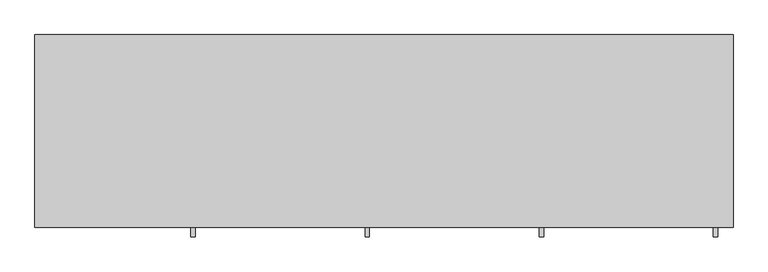
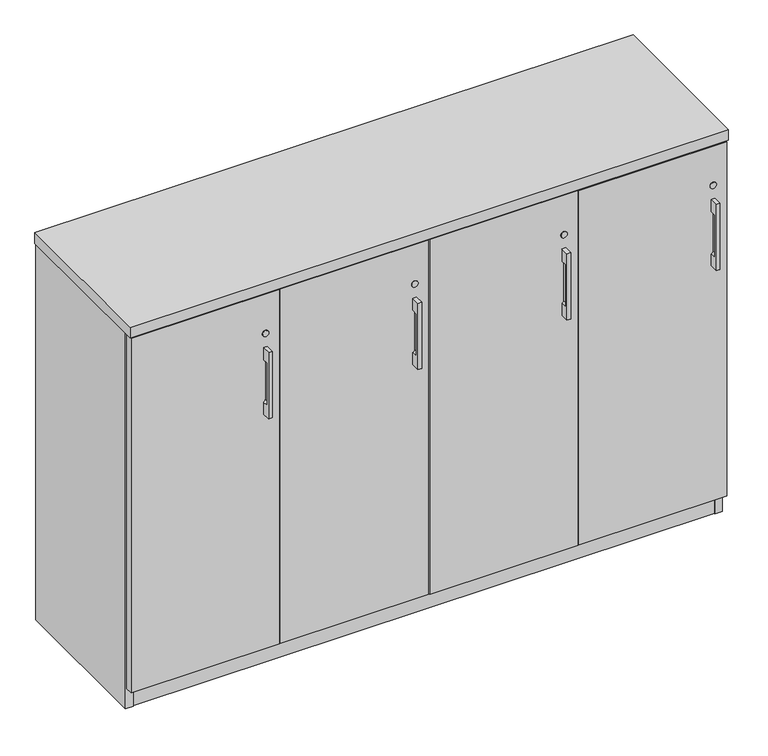
"""IFC4 building model written with IfcOpenShell, lengths in millimetres: furniture geometry."""

from ifc_helpers import new_model, si_unit, point, frame, frame_2d, origin, origin_with_axes, place, context, project, spatial, polyline, circle_curve, trimmed, segment, composite_curve, outline, extrude, source, transform, mapped, element, save
from ifc_brep_helpers import plane_surface, revolved_surface, advanced_brep


def furniture_3aef7c63(model_context):
    return source(origin(), model_context, "Body", "SolidModel", [
        advanced_brep(
        [(338.9312421, -447.8115021, 869.3658), (338.9312421, -447.8115021, 691.5658), (348.4562421, -447.8115021, 691.5658), (348.4562421, -447.8115021, 869.3658), (338.9312421, -425.5865021, 869.3658), (348.4562421, -425.5865021, 869.3658), (348.4562421, -425.5865021, 691.5658), (338.9312421, -425.5865021, 691.5658), (338.9312421, -425.5865021, 723.5174389), (343.6937421, -425.5865021, 729.6658), (343.6937421, -425.5865021, 831.2658), (338.9312421, -425.5865021, 837.4141611), (338.9312421, -441.523499, 837.4141611), (338.9312421, -441.523499, 723.5174389), (343.6937421, -441.523499, 831.2658), (343.6937421, -441.523499, 729.6658)],
        [
            (0, 1),
            (1, 2),
            (2, 3),
            (3, 0),
            (4, 5),
            (5, 6),
            (6, 7),
            (7, 8),
            (8, 9, circle_curve(frame((337.3437421, -425.5865021, 729.6658), z_axis=(0.0, -1.0, 0.0), x_axis=(1.0, 0.0, 0.0)), 6.35)),
            (9, 10),
            (10, 11, circle_curve(frame((337.3437421, -425.5865021, 831.2658), z_axis=(0.0, -1.0, 0.0), x_axis=(1.0, 0.0, 0.0)), 6.35)),
            (11, 4),
            (0, 4),
            (11, 12),
            (12, 13),
            (13, 8),
            (7, 1),
            (6, 2),
            (5, 3),
            (14, 15),
            (15, 13, circle_curve(frame((337.3437421, -441.523499, 729.6658), z_axis=(0.0, 1.0, 0.0), x_axis=(1.0, 0.0, 0.0)), 6.35)),
            (12, 14, circle_curve(frame((337.3437421, -441.523499, 831.2658), z_axis=(0.0, 1.0, 0.0), x_axis=(1.0, 0.0, 0.0)), 6.35)),
            (14, 10),
            (9, 15),
        ],
        [
            plane_surface(frame((338.9312421, -447.8115021, 691.5658), z_axis=(0.0, -1.0, 0.0), x_axis=(0.0, 0.0, -1.0))),
            plane_surface(frame((338.9312421, -425.5865021, 691.5658), z_axis=(0.0, 1.0, 0.0), x_axis=(0.0, 0.0, 1.0))),
            plane_surface(frame((338.9312421, -447.8115021, 869.3658), z_axis=(-1.0, 0.0, 0.0), x_axis=(0.0, 1.0, 0.0))),
            plane_surface(frame((338.9312421, -447.8115021, 691.5658), z_axis=(0.0, 0.0, -1.0), x_axis=(0.0, 1.0, 0.0))),
            plane_surface(frame((348.4562421, -447.8115021, 691.5658), z_axis=(1.0, 0.0, 0.0), x_axis=(0.0, 1.0, 0.0))),
            plane_surface(frame((348.4562421, -447.8115021, 869.3658), z_axis=(0.0, 0.0, 1.0), x_axis=(0.0, 1.0, 0.0))),
            plane_surface(frame((324.6437421, -441.523499, 837.6158), z_axis=(0.0, 1.0, 0.0), x_axis=(-1.0, 0.0, 0.0))),
            plane_surface(frame((343.6937421, -441.523499, 729.6658), z_axis=(-1.0, 0.0, 0.0), x_axis=(0.0, 1.0, 0.0))),
            revolved_surface(polyline([(343.6937421, -441.523499, 729.6658), (343.6937421, -425.5865021, 729.6658)]), (337.3437421, -425.5865021, 729.6658), (0.0, -1.0, 0.0)),
            revolved_surface(polyline([(343.6937421, -441.523499, 831.2658), (343.6937421, -425.5865021, 831.2658)]), (337.3437421, -425.5865021, 831.2658), (0.0, -1.0, 0.0)),
        ],
        [
            (0, [[1, 2, 3, 4]]),
            (1, [[5, 6, 7, 8, 9, 10, 11, 12]]),
            (2, [[-1, 13, -12, 14, 15, 16, -8, 17]]),
            (3, [[-2, -17, -7, 18]]),
            (4, [[-3, -18, -6, 19]]),
            (5, [[-4, -19, -5, -13]]),
            (6, [[20, 21, -15, 22]]),
            (7, [[-20, 23, -10, 24]]),
            (8, [[-24, -9, -16, -21]]),
            (9, [[-23, -22, -14, -11]]),
        ],
    ),
        advanced_brep(
        [(1474.7875158, -447.8115021, 869.3658), (1474.7875158, -447.8115021, 691.5658), (1484.3125158, -447.8115021, 691.5658), (1484.3125158, -447.8115021, 869.3658), (1474.7875158, -425.5865021, 869.3658), (1484.3125158, -425.5865021, 869.3658), (1484.3125158, -425.5865021, 691.5658), (1474.7875158, -425.5865021, 691.5658), (1474.7875158, -425.5865021, 723.5174389), (1479.5500158, -425.5865021, 729.6658), (1479.5500158, -425.5865021, 831.2658), (1474.7875158, -425.5865021, 837.4141611), (1474.7875158, -441.523499, 837.4141611), (1474.7875158, -441.523499, 723.5174389), (1479.5500158, -441.523499, 831.2658), (1479.5500158, -441.523499, 729.6658)],
        [
            (0, 1),
            (1, 2),
            (2, 3),
            (3, 0),
            (4, 5),
            (5, 6),
            (6, 7),
            (7, 8),
            (8, 9, circle_curve(frame((1473.2000158, -425.5865021, 729.6658), z_axis=(0.0, -1.0, 0.0), x_axis=(1.0, 0.0, 0.0)), 6.35)),
            (9, 10),
            (10, 11, circle_curve(frame((1473.2000158, -425.5865021, 831.2658), z_axis=(0.0, -1.0, 0.0), x_axis=(1.0, 0.0, 0.0)), 6.35)),
            (11, 4),
            (0, 4),
            (11, 12),
            (12, 13),
            (13, 8),
            (7, 1),
            (6, 2),
            (5, 3),
            (14, 15),
            (15, 13, circle_curve(frame((1473.2000158, -441.523499, 729.6658), z_axis=(0.0, 1.0, 0.0), x_axis=(1.0, 0.0, 0.0)), 6.35)),
            (12, 14, circle_curve(frame((1473.2000158, -441.523499, 831.2658), z_axis=(0.0, 1.0, 0.0), x_axis=(1.0, 0.0, 0.0)), 6.35)),
            (14, 10),
            (9, 15),
        ],
        [
            plane_surface(frame((1474.7875158, -447.8115021, 691.5658), z_axis=(0.0, -1.0, 0.0), x_axis=(0.0, 0.0, -1.0))),
            plane_surface(frame((1474.7875158, -425.5865021, 691.5658), z_axis=(0.0, 1.0, 0.0), x_axis=(0.0, 0.0, 1.0))),
            plane_surface(frame((1474.7875158, -447.8115021, 869.3658), z_axis=(-1.0, 0.0, 0.0), x_axis=(0.0, 1.0, 0.0))),
            plane_surface(frame((1474.7875158, -447.8115021, 691.5658), z_axis=(0.0, 0.0, -1.0), x_axis=(0.0, 1.0, 0.0))),
            plane_surface(frame((1484.3125158, -447.8115021, 691.5658), z_axis=(1.0, 0.0, 0.0), x_axis=(0.0, 1.0, 0.0))),
            plane_surface(frame((1484.3125158, -447.8115021, 869.3658), z_axis=(0.0, 0.0, 1.0), x_axis=(0.0, 1.0, 0.0))),
            plane_surface(frame((1460.5000158, -441.523499, 837.6158), z_axis=(0.0, 1.0, 0.0), x_axis=(-1.0, 0.0, 0.0))),
            plane_surface(frame((1479.5500158, -441.523499, 729.6658), z_axis=(-1.0, 0.0, 0.0), x_axis=(0.0, 1.0, 0.0))),
            revolved_surface(polyline([(1479.5500158, -441.523499, 729.6658), (1479.5500158, -425.5865021, 729.6658)]), (1473.2000158, -425.5865021, 729.6658), (0.0, -1.0, 0.0)),
            revolved_surface(polyline([(1479.5500158, -441.523499, 831.2658), (1479.5500158, -425.5865021, 831.2658)]), (1473.2000158, -425.5865021, 831.2658), (0.0, -1.0, 0.0)),
        ],
        [
            (0, [[1, 2, 3, 4]]),
            (1, [[5, 6, 7, 8, 9, 10, 11, 12]]),
            (2, [[-1, 13, -12, 14, 15, 16, -8, 17]]),
            (3, [[-2, -17, -7, 18]]),
            (4, [[-3, -18, -6, 19]]),
            (5, [[-4, -19, -5, -13]]),
            (6, [[20, 21, -15, 22]]),
            (7, [[-20, 23, -10, 24]]),
            (8, [[-24, -9, -16, -21]]),
            (9, [[-23, -22, -14, -11]]),
        ],
    ),
        advanced_brep(
        [(1096.1687579, -447.8115021, 869.3658), (1096.1687579, -447.8115021, 691.5658), (1105.6937579, -447.8115021, 691.5658), (1105.6937579, -447.8115021, 869.3658), (1096.1687579, -425.5865021, 869.3658), (1105.6937579, -425.5865021, 869.3658), (1105.6937579, -425.5865021, 691.5658), (1096.1687579, -425.5865021, 691.5658), (1096.1687579, -425.5865021, 723.5174389), (1100.9312579, -425.5865021, 729.6658), (1100.9312579, -425.5865021, 831.2658), (1096.1687579, -425.5865021, 837.4141611), (1096.1687579, -441.523499, 837.4141611), (1096.1687579, -441.523499, 723.5174389), (1100.9312579, -441.523499, 831.2658), (1100.9312579, -441.523499, 729.6658)],
        [
            (0, 1),
            (1, 2),
            (2, 3),
            (3, 0),
            (4, 5),
            (5, 6),
            (6, 7),
            (7, 8),
            (8, 9, circle_curve(frame((1094.5812579, -425.5865021, 729.6658), z_axis=(0.0, -1.0, 0.0), x_axis=(1.0, 0.0, 0.0)), 6.35)),
            (9, 10),
            (10, 11, circle_curve(frame((1094.5812579, -425.5865021, 831.2658), z_axis=(0.0, -1.0, 0.0), x_axis=(1.0, 0.0, 0.0)), 6.35)),
            (11, 4),
            (0, 4),
            (11, 12),
            (12, 13),
            (13, 8),
            (7, 1),
            (6, 2),
            (5, 3),
            (14, 15),
            (15, 13, circle_curve(frame((1094.5812579, -441.523499, 729.6658), z_axis=(0.0, 1.0, 0.0), x_axis=(1.0, 0.0, 0.0)), 6.35)),
            (12, 14, circle_curve(frame((1094.5812579, -441.523499, 831.2658), z_axis=(0.0, 1.0, 0.0), x_axis=(1.0, 0.0, 0.0)), 6.35)),
            (14, 10),
            (9, 15),
        ],
        [
            plane_surface(frame((1096.1687579, -447.8115021, 691.5658), z_axis=(0.0, -1.0, 0.0), x_axis=(0.0, 0.0, -1.0))),
            plane_surface(frame((1096.1687579, -425.5865021, 691.5658), z_axis=(0.0, 1.0, 0.0), x_axis=(0.0, 0.0, 1.0))),
            plane_surface(frame((1096.1687579, -447.8115021, 869.3658), z_axis=(-1.0, 0.0, 0.0), x_axis=(0.0, 1.0, 0.0))),
            plane_surface(frame((1096.1687579, -447.8115021, 691.5658), z_axis=(0.0, 0.0, -1.0), x_axis=(0.0, 1.0, 0.0))),
            plane_surface(frame((1105.6937579, -447.8115021, 691.5658), z_axis=(1.0, 0.0, 0.0), x_axis=(0.0, 1.0, 0.0))),
            plane_surface(frame((1105.6937579, -447.8115021, 869.3658), z_axis=(0.0, 0.0, 1.0), x_axis=(0.0, 1.0, 0.0))),
            plane_surface(frame((1081.8812579, -441.523499, 837.6158), z_axis=(0.0, 1.0, 0.0), x_axis=(-1.0, 0.0, 0.0))),
            plane_surface(frame((1100.9312579, -441.523499, 729.6658), z_axis=(-1.0, 0.0, 0.0), x_axis=(0.0, 1.0, 0.0))),
            revolved_surface(polyline([(1100.9312579, -441.523499, 729.6658), (1100.9312579, -425.5865021, 729.6658)]), (1094.5812579, -425.5865021, 729.6658), (0.0, -1.0, 0.0)),
            revolved_surface(polyline([(1100.9312579, -441.523499, 831.2658), (1100.9312579, -425.5865021, 831.2658)]), (1094.5812579, -425.5865021, 831.2658), (0.0, -1.0, 0.0)),
        ],
        [
            (0, [[1, 2, 3, 4]]),
            (1, [[5, 6, 7, 8, 9, 10, 11, 12]]),
            (2, [[-1, 13, -12, 14, 15, 16, -8, 17]]),
            (3, [[-2, -17, -7, 18]]),
            (4, [[-3, -18, -6, 19]]),
            (5, [[-4, -19, -5, -13]]),
            (6, [[20, 21, -15, 22]]),
            (7, [[-20, 23, -10, 24]]),
            (8, [[-24, -9, -16, -21]]),
            (9, [[-23, -22, -14, -11]]),
        ],
    ),
        advanced_brep(
        [(717.55, -447.8115021, 869.3658), (717.55, -447.8115021, 691.5658), (727.075, -447.8115021, 691.5658), (727.075, -447.8115021, 869.3658), (717.55, -425.5865021, 869.3658), (727.075, -425.5865021, 869.3658), (727.075, -425.5865021, 691.5658), (717.55, -425.5865021, 691.5658), (717.55, -425.5865021, 723.5174389), (722.3125, -425.5865021, 729.6658), (722.3125, -425.5865021, 831.2658), (717.55, -425.5865021, 837.4141611), (717.55, -441.523499, 837.4141611), (717.55, -441.523499, 723.5174389), (722.3125, -441.523499, 831.2658), (722.3125, -441.523499, 729.6658)],
        [
            (0, 1),
            (1, 2),
            (2, 3),
            (3, 0),
            (4, 5),
            (5, 6),
            (6, 7),
            (7, 8),
            (8, 9, circle_curve(frame((715.9625, -425.5865021, 729.6658), z_axis=(0.0, -1.0, 0.0), x_axis=(1.0, 0.0, 0.0)), 6.35)),
            (9, 10),
            (10, 11, circle_curve(frame((715.9625, -425.5865021, 831.2658), z_axis=(0.0, -1.0, 0.0), x_axis=(1.0, 0.0, 0.0)), 6.35)),
            (11, 4),
            (0, 4),
            (11, 12),
            (12, 13),
            (13, 8),
            (7, 1),
            (6, 2),
            (5, 3),
            (14, 15),
            (15, 13, circle_curve(frame((715.9625, -441.523499, 729.6658), z_axis=(0.0, 1.0, 0.0), x_axis=(1.0, 0.0, 0.0)), 6.35)),
            (12, 14, circle_curve(frame((715.9625, -441.523499, 831.2658), z_axis=(0.0, 1.0, 0.0), x_axis=(1.0, 0.0, 0.0)), 6.35)),
            (14, 10),
            (9, 15),
        ],
        [
            plane_surface(frame((717.55, -447.8115021, 691.5658), z_axis=(0.0, -1.0, 0.0), x_axis=(0.0, 0.0, -1.0))),
            plane_surface(frame((717.55, -425.5865021, 691.5658), z_axis=(0.0, 1.0, 0.0), x_axis=(0.0, 0.0, 1.0))),
            plane_surface(frame((717.55, -447.8115021, 869.3658), z_axis=(-1.0, 0.0, 0.0), x_axis=(0.0, 1.0, 0.0))),
            plane_surface(frame((717.55, -447.8115021, 691.5658), z_axis=(0.0, 0.0, -1.0), x_axis=(0.0, 1.0, 0.0))),
            plane_surface(frame((727.075, -447.8115021, 691.5658), z_axis=(1.0, 0.0, 0.0), x_axis=(0.0, 1.0, 0.0))),
            plane_surface(frame((727.075, -447.8115021, 869.3658), z_axis=(0.0, 0.0, 1.0), x_axis=(0.0, 1.0, 0.0))),
            plane_surface(frame((703.2625, -441.523499, 837.6158), z_axis=(0.0, 1.0, 0.0), x_axis=(-1.0, 0.0, 0.0))),
            plane_surface(frame((722.3125, -441.523499, 729.6658), z_axis=(-1.0, 0.0, 0.0), x_axis=(0.0, 1.0, 0.0))),
            revolved_surface(polyline([(722.3125, -441.523499, 729.6658), (722.3125, -425.5865021, 729.6658)]), (715.9625, -425.5865021, 729.6658), (0.0, -1.0, 0.0)),
            revolved_surface(polyline([(722.3125, -441.523499, 831.2658), (722.3125, -425.5865021, 831.2658)]), (715.9625, -425.5865021, 831.2658), (0.0, -1.0, 0.0)),
        ],
        [
            (0, [[1, 2, 3, 4]]),
            (1, [[5, 6, 7, 8, 9, 10, 11, 12]]),
            (2, [[-1, 13, -12, 14, 15, 16, -8, 17]]),
            (3, [[-2, -17, -7, 18]]),
            (4, [[-3, -18, -6, 19]]),
            (5, [[-4, -19, -5, -13]]),
            (6, [[20, 21, -15, 22]]),
            (7, [[-20, 23, -10, 24]]),
            (8, [[-24, -9, -16, -21]]),
            (9, [[-23, -22, -14, -11]]),
        ],
    ),
        extrude(outline(polyline([(1455.3192181, -345.6312472), (1471.2670759, -336.4237472), (1487.2149337, -345.6312472), (1487.2149337, -364.0462472), (1471.2670759, -373.2537472), (1455.3192181, -364.0462472), (1455.3192181, -345.6312472)])), origin_with_axes(), (0.0, 0.0, 1.0), 9.144),
        extrude(outline(polyline([(1455.3192181, -47.1181713), (1471.2670759, -37.9106713), (1487.2149337, -47.1181713), (1487.2149337, -65.5331713), (1471.2670759, -74.7406713), (1455.3192181, -65.5331713), (1455.3192181, -47.1181713)])), origin_with_axes(), (0.0, 0.0, 1.0), 9.144),
        extrude(outline(polyline([(30.4350663, -345.6312472), (46.3829241, -336.4237472), (62.3307819, -345.6312472), (62.3307819, -364.0462472), (46.3829241, -373.2537472), (30.4350663, -364.0462472), (30.4350663, -345.6312472)])), origin_with_axes(), (0.0, 0.0, 1.0), 9.144),
        extrude(outline(polyline([(30.4350663, -47.1181713), (46.3829241, -37.9106713), (62.3307819, -47.1181713), (62.3307819, -65.5331713), (46.3829241, -74.7406713), (30.4350663, -65.5331713), (30.4350663, -47.1181713)])), origin_with_axes(), (0.0, 0.0, 1.0), 9.144),
        extrude(outline(polyline([(739.5210079, -30.4938704), (758.8250079, -30.4938704), (758.8250079, -401.5835036), (739.5210079, -401.5835036), (739.5210079, -30.4938704)])), frame((0.0, 0.0, 79.57058), z_axis=(0.0, 0.0, 1.0), x_axis=(1.0, 0.0, 0.0)), (0.0, 0.0, 1.0), 935.08322),
        extrude(outline(polyline([(1118.1397579, -30.4938704), (1137.4437579, -30.4938704), (1137.4437579, -401.5835036), (1118.1397579, -401.5835036), (1118.1397579, -30.4938704)])), frame((0.0, 0.0, 79.57058), z_axis=(0.0, 0.0, 1.0), x_axis=(1.0, 0.0, 0.0)), (0.0, 0.0, 1.0), 935.08322),
        extrude(outline(polyline([(380.2062421, -30.4938704), (380.2062421, -401.5835036), (360.9022421, -401.5835036), (360.9022421, -30.4938704), (380.2062421, -30.4938704)])), frame((0.0, 0.0, 79.57058), z_axis=(0.0, 0.0, 1.0), x_axis=(1.0, 0.0, 0.0)), (0.0, 0.0, 1.0), 935.08322),
        extrude(outline(polyline([(1496.7585154, -11.1898712), (1496.7585154, -30.4938704), (20.8915005, -30.4938704), (20.8915005, -11.1898712), (1496.7585154, -11.1898712)])), frame((0.0, 0.0, 4.699), z_axis=(0.0, 0.0, 1.0), x_axis=(1.0, 0.0, 0.0)), (0.0, 0.0, 1.0), 1009.9548),
        extrude(outline(polyline([(20.8915005, -9.6658713), (20.8915005, -403.1075021), (1.5874842, -403.1075021), (1.5874842, -9.6658713), (20.8915005, -9.6658713)])), frame((0.0, 0.0, 4.699), z_axis=(0.0, 0.0, 1.0), x_axis=(1.0, 0.0, 0.0)), (0.0, 0.0, 1.0), 1009.9548),
        extrude(outline(polyline([(1496.7585154, -9.6658713), (1516.0625158, -9.6658713), (1516.0625158, -403.1075021), (1496.7585154, -403.1075021), (1496.7585154, -9.6658713)])), frame((0.0, 0.0, 4.699), z_axis=(0.0, 0.0, 1.0), x_axis=(1.0, 0.0, 0.0)), (0.0, 0.0, 1.0), 1009.9548),
        extrude(outline(polyline([(778.1290079, -30.4938704), (778.1290079, -401.5835036), (758.8250079, -401.5835036), (758.8250079, -30.4938704), (778.1290079, -30.4938704)])), frame((0.0, 0.0, 79.57058), z_axis=(0.0, 0.0, 1.0), x_axis=(1.0, 0.0, 0.0)), (0.0, 0.0, 1.0), 935.08322),
        extrude(outline(polyline([(380.2062421, -30.4938704), (399.5102421, -30.4938704), (399.5102421, -401.5835036), (380.2062421, -401.5835036), (380.2062421, -30.4938704)])), frame((0.0, 0.0, 79.57058), z_axis=(0.0, 0.0, 1.0), x_axis=(1.0, 0.0, 0.0)), (0.0, 0.0, 1.0), 935.08322),
        extrude(outline(polyline([(1156.7477579, -30.4938704), (1156.7477579, -401.5835036), (1137.4437579, -401.5835036), (1137.4437579, -30.4938704), (1156.7477579, -30.4938704)])), frame((0.0, 0.0, 79.57058), z_axis=(0.0, 0.0, 1.0), x_axis=(1.0, 0.0, 0.0)), (0.0, 0.0, 1.0), 935.08322),
        extrude(outline(polyline([(1496.7585154, -30.4938704), (1496.7585154, -402.7264934), (20.8915005, -402.7264934), (20.8915005, -30.4938704), (1496.7585154, -30.4938704)])), frame((0.0, 0.0, 995.3498), z_axis=(0.0, 0.0, 1.0), x_axis=(1.0, 0.0, 0.0)), (0.0, 0.0, 1.0), 19.304),
        extrude(outline(polyline([(1517.65, -8.0783713), (1517.65, -427.1783713), (0.0, -427.1783713), (0.0, -8.0783713), (1517.65, -8.0783713)])), frame((0.0, 0.0, 1014.6538031), z_axis=(0.0, 0.0, 1.0), x_axis=(1.0, 0.0, 0.0)), (0.0, 0.0, 1.0), 28.5749969),
        extrude(outline(polyline([(1496.7585154, -30.4938704), (1496.7585154, -402.7264934), (20.8915005, -402.7264934), (20.8915005, -30.4938704), (1496.7585154, -30.4938704)])), frame((0.0, 0.0, 60.26658), z_axis=(0.0, 0.0, 1.0), x_axis=(1.0, 0.0, 0.0)), (0.0, 0.0, 1.0), 19.304),
        extrude(outline(polyline([(1496.7585154, -401.5835036), (20.8915005, -401.5835036), (20.8915005, -382.2795036), (1496.7585154, -382.2795036), (1496.7585154, -401.5835036)])), frame((0.0, 0.0, 4.699), z_axis=(0.0, 0.0, 1.0), x_axis=(1.0, 0.0, 0.0)), (0.0, 0.0, 1.0), 55.56758),
        extrude(outline(composite_curve([segment(trimmed(circle_curve(frame_2d((906.7038, 343.6937421)), 8.001), [point((906.7038, 335.6927421))], [point((906.7038, 351.6947421))], False, "CARTESIAN"), True, "CONTINUOUS"), segment(trimmed(circle_curve(frame_2d((906.7038, 343.6937421)), 8.001), [point((906.7038, 351.6947421))], [point((906.7038, 335.6927421))], False, "CARTESIAN"), True, "CONTINUOUS")], self_intersect=False)), frame((0.0, -427.1783713, 0.0), z_axis=(0.0, 1.0, 0.0), x_axis=(0.0, 0.0, 1.0)), (0.0, 0.0, 1.0), 1.5918692),
        extrude(outline(composite_curve([segment(trimmed(circle_curve(frame_2d((906.7038, 722.3125)), 8.001), [point((906.7038, 714.3115))], [point((906.7038, 730.3135))], False, "CARTESIAN"), True, "CONTINUOUS"), segment(trimmed(circle_curve(frame_2d((906.7038, 722.3125)), 8.001), [point((906.7038, 730.3135))], [point((906.7038, 714.3115))], False, "CARTESIAN"), True, "CONTINUOUS")], self_intersect=False)), frame((0.0, -427.1783713, 0.0), z_axis=(0.0, 1.0, 0.0), x_axis=(0.0, 0.0, 1.0)), (0.0, 0.0, 1.0), 1.5918692),
        extrude(outline(composite_curve([segment(trimmed(circle_curve(frame_2d((906.7038, 1100.9312579)), 8.001), [point((906.7038, 1092.9302579))], [point((906.7038, 1108.9322579))], False, "CARTESIAN"), True, "CONTINUOUS"), segment(trimmed(circle_curve(frame_2d((906.7038, 1100.9312579)), 8.001), [point((906.7038, 1108.9322579))], [point((906.7038, 1092.9302579))], False, "CARTESIAN"), True, "CONTINUOUS")], self_intersect=False)), frame((0.0, -427.1783713, 0.0), z_axis=(0.0, 1.0, 0.0), x_axis=(0.0, 0.0, 1.0)), (0.0, 0.0, 1.0), 1.5918692),
        extrude(outline(composite_curve([segment(trimmed(circle_curve(frame_2d((906.7038, 1479.5500158)), 8.001), [point((906.7038, 1471.5490158))], [point((906.7038, 1487.5510158))], False, "CARTESIAN"), True, "CONTINUOUS"), segment(trimmed(circle_curve(frame_2d((906.7038, 1479.5500158)), 8.001), [point((906.7038, 1487.5510158))], [point((906.7038, 1471.5490158))], False, "CARTESIAN"), True, "CONTINUOUS")], self_intersect=False)), frame((0.0, -427.1783713, 0.0), z_axis=(0.0, 1.0, 0.0), x_axis=(0.0, 0.0, 1.0)), (0.0, 0.0, 1.0), 1.5918692),
        extrude(outline(polyline([(378.6187421, -425.5865021), (3.175, -425.5865021), (3.175, -406.2825021), (378.6187421, -406.2825021), (378.6187421, -425.5865021)])), frame((0.0, 0.0, 60.26658), z_axis=(0.0, 0.0, 1.0), x_axis=(1.0, 0.0, 0.0)), (0.0, 0.0, 1.0), 951.2122352),
        extrude(outline(polyline([(757.2375, -425.5865021), (381.7937421, -425.5865021), (381.7937421, -406.2825021), (757.2375, -406.2825021), (757.2375, -425.5865021)])), frame((0.0, 0.0, 60.26658), z_axis=(0.0, 0.0, 1.0), x_axis=(1.0, 0.0, 0.0)), (0.0, 0.0, 1.0), 951.2122352),
        extrude(outline(polyline([(1135.8562579, -425.5865021), (760.4125, -425.5865021), (760.4125, -406.2825021), (1135.8562579, -406.2825021), (1135.8562579, -425.5865021)])), frame((0.0, 0.0, 60.26658), z_axis=(0.0, 0.0, 1.0), x_axis=(1.0, 0.0, 0.0)), (0.0, 0.0, 1.0), 951.2122352),
        extrude(outline(polyline([(1514.4750158, -425.5865021), (1139.0312579, -425.5865021), (1139.0312579, -406.2825021), (1514.4750158, -406.2825021), (1514.4750158, -425.5865021)])), frame((0.0, 0.0, 60.26658), z_axis=(0.0, 0.0, 1.0), x_axis=(1.0, 0.0, 0.0)), (0.0, 0.0, 1.0), 951.2122352),
    ])


if __name__ == "__main__":
    model = new_model("IFC4")
    model_context = context("Model", 3, world=origin())
    ifc_project = project(units=[si_unit("LENGTHUNIT", "METRE", prefix="MILLI")], contexts=[model_context])
    site = spatial("IfcSite", under=ifc_project)
    building = spatial("IfcBuilding", under=site)
    placement = place(None, origin())
    furniture_shape = furniture_3aef7c63(model_context)
    element("IfcFurniture", 1, at=placement, inside=building, context=model_context, shape_type="MappedRepresentation", body=[
        mapped(furniture_shape, transform((0.0, 0.0, 0.0), x_axis=(1.0, 0.0, 0.0), y_axis=(0.0, 1.0, 0.0), z_axis=(0.0, 0.0, 1.0))),
    ])
    save(model, "model.ifc")
